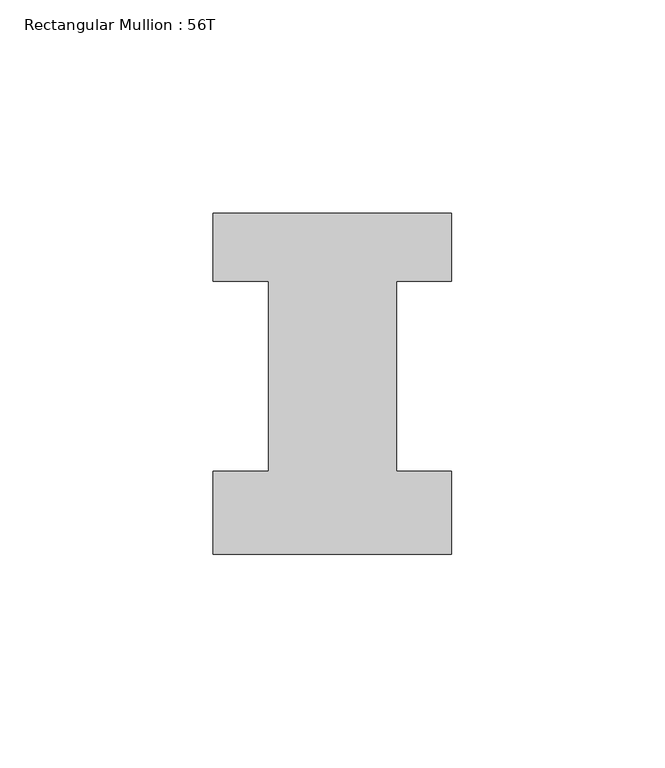
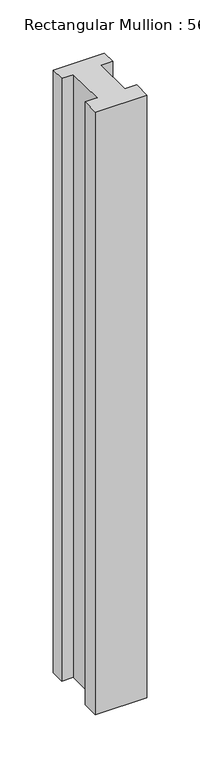
"""IFC4 building model written with IfcOpenShell, lengths in millimetres: member geometry, Rectangular Mullion : 56T."""

from ifc_helpers import new_model, si_unit, frame, origin, place, context, project, spatial, polyline, outline, extrude, source, transform, mapped, element, save


def rectangular_mullion_56t_2ba12647(model_context):
    return source(origin(), model_context, "Body", "SweptSolid", [
        extrude(outline(polyline([(28.0, -20.0), (-28.0, -20.0), (-28.0, -0.5), (-15.0, -0.5), (-15.0, 44.0), (-28.0, 44.0), (-28.0, 60.0), (28.0, 60.0), (28.0, 44.0), (15.0, 44.0), (15.0, -0.5), (28.0, -0.5), (28.0, -20.0)])), frame((0.0, 0.0, -694.0), z_axis=(0.0, 0.0, 1.0), x_axis=(1.0, 0.0, 0.0)), (0.0, 0.0, 1.0), 694.0),
    ])


if __name__ == "__main__":
    model = new_model("IFC4")
    model_context = context("Model", 3, world=origin())
    ifc_project = project(units=[si_unit("LENGTHUNIT", "METRE", prefix="MILLI")], contexts=[model_context])
    site = spatial("IfcSite", under=ifc_project)
    building = spatial("IfcBuilding", under=site)
    placement = place(None, origin())
    rectangular_mullion_56t_shape = rectangular_mullion_56t_2ba12647(model_context)
    element("IfcMember", 1, ObjectType="Rectangular Mullion : 56T", at=placement, inside=building, context=model_context, shape_type="MappedRepresentation", body=[
        mapped(rectangular_mullion_56t_shape, transform((0.0, 0.0, 0.0), x_axis=(1.0, 0.0, 0.0), y_axis=(0.0, 1.0, 0.0), z_axis=(0.0, 0.0, 1.0))),
    ])
    save(model, "model.ifc")
